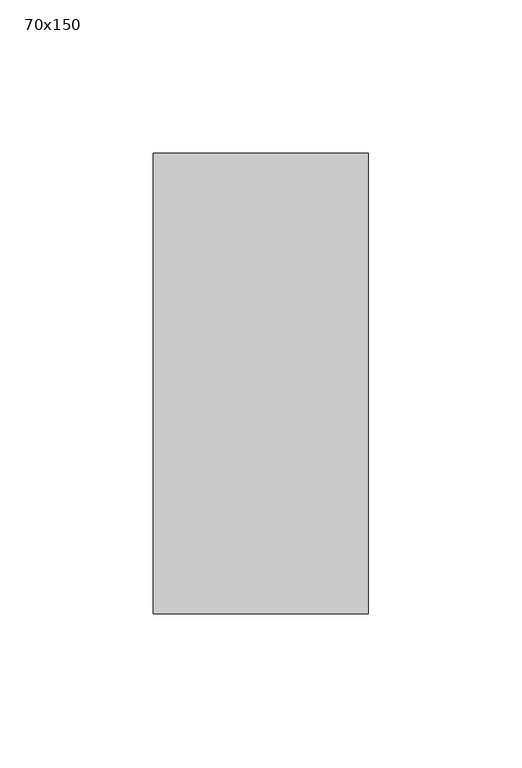
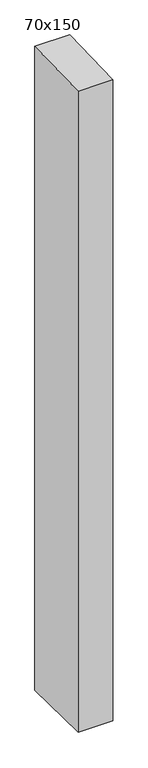
"""IFC4 building model written with IfcOpenShell, lengths in millimetres: member geometry, 70x150."""

from ifc_helpers import new_model, si_unit, frame, origin, place, context, project, spatial, polyline, outline, extrude, source, transform, mapped, element, save


def member_70x150_d97a5567(model_context):
    return source(origin(), model_context, "Body", "SweptSolid", [
        extrude(outline(polyline([(-75.0, -1.9083489), (75.0, 1.9083489), (75.0, -1363.5606247), (-75.0, -1361.6106517), (-75.0, -1.9083489)])), frame((-70.0, 0.0, 0.0), z_axis=(1.0, 0.0, 0.0), x_axis=(0.0, 1.0, 0.0)), (0.0, 0.0, 1.0), 70.0),
    ])


if __name__ == "__main__":
    model = new_model("IFC4")
    model_context = context("Model", 3, world=origin())
    ifc_project = project(units=[si_unit("LENGTHUNIT", "METRE", prefix="MILLI")], contexts=[model_context])
    site = spatial("IfcSite", under=ifc_project)
    building = spatial("IfcBuilding", under=site)
    placement = place(None, origin())
    member_70x150_shape = member_70x150_d97a5567(model_context)
    element("IfcMember", 1, ObjectType="70x150", at=placement, inside=building, context=model_context, shape_type="MappedRepresentation", body=[
        mapped(member_70x150_shape, transform((0.0, 0.0, 0.0), x_axis=(1.0, 0.0, 0.0), y_axis=(0.0, 1.0, 0.0), z_axis=(0.0, 0.0, 1.0))),
    ])
    save(model, "model.ifc")
